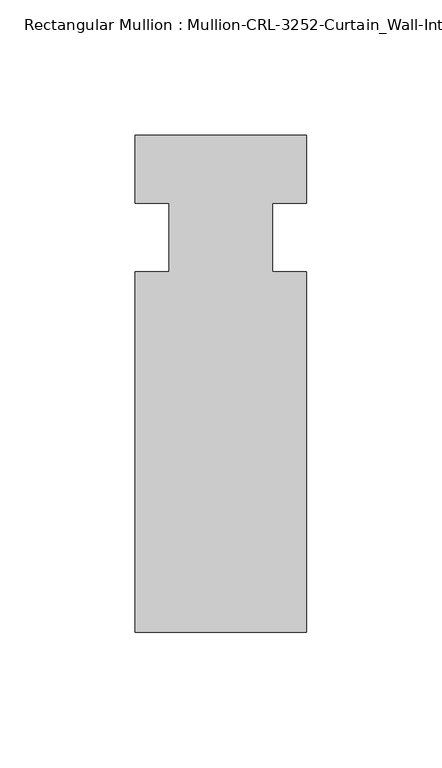
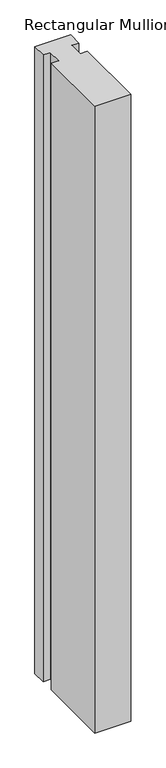
"""IFC4 building model written with IfcOpenShell, lengths in millimetres: member geometry, Rectangular Mullion : Mullion-CRL-3252-Curtain_Wall-Intermediate_Horizontal."""

import ifcopenshell
import ifcopenshell.guid

model = None  # the IFC model being written
_history = None  # IfcOwnerHistory: only IFC2X3 demands one
_inside = {}  # id of a spatial element -> (the spatial element, [elements in it])
_under = {}  # id of a project, library or spatial element -> (it, [spatial elements below it])
_declared = {}  # id of a project -> (the project, [libraries it declares])
_typed = {}  # id of a type object -> (the type object, [elements of that type])
_made_of = {}  # id of a material, layer set ... -> (it, [elements and type objects made of it])


def new_model(schema):
    """Start an empty IFC model of exactly this schema.

    Asked for "IFC4X3", IfcOpenShell would pick the latest addendum, in which some entities
    have other attributes; the version numbers below select the first issue.
    IFC2X3 requires an IfcOwnerHistory on every rooted entity: one is made here for all.
    """
    global model, _history
    if schema == "IFC4X3":
        model = ifcopenshell.file(schema_version=(4, 3, 0, 0))
    else:
        model = ifcopenshell.file(schema=schema)
    _inside.clear()
    _under.clear()
    _declared.clear()
    _typed.clear()
    _made_of.clear()
    _history = None
    if model.schema == "IFC2X3":
        org = make("IfcOrganization", Name="unknown")
        user = make(
            "IfcPersonAndOrganization",
            ThePerson=make("IfcPerson", FamilyName="unknown"),
            TheOrganization=org,
        )
        app = make(
            "IfcApplication",
            ApplicationDeveloper=org,
            Version="unknown",
            ApplicationFullName="unknown",
            ApplicationIdentifier="unknown",
        )
        _history = make(
            "IfcOwnerHistory",
            OwningUser=user,
            OwningApplication=app,
            ChangeAction="ADDED",
            CreationDate=0,
        )
    return model


def make(cls, **values):
    """One entity of the class cls with the attributes given. An attribute that is None is left unset."""
    return model.create_entity(
        cls, **{name: value for name, value in values.items() if value is not None}
    )


def rooted(cls, **values):
    """An entity with a GlobalId (a new one), such as an element, a storey or a relation."""
    return make(cls, GlobalId=ifcopenshell.guid.new(), OwnerHistory=_history, **values)


def si_unit(unit_type, name, prefix=None):
    """IfcSIUnit, for example si_unit("LENGTHUNIT", "METRE", prefix="MILLI")."""
    return make("IfcSIUnit", UnitType=unit_type, Prefix=prefix, Name=name)


def assignment(units):
    """IfcUnitAssignment: the units of a project."""
    return None if units is None else make("IfcUnitAssignment", Units=units)


def point(xyz):
    """IfcCartesianPoint."""
    return None if xyz is None else make("IfcCartesianPoint", Coordinates=xyz)


def direction(xyz):
    """IfcDirection."""
    return None if xyz is None else make("IfcDirection", DirectionRatios=xyz)


def frame(location, z_axis=None, x_axis=None):
    """IfcAxis2Placement3D, a coordinate frame: its origin and axes. An axis left out is left unset."""
    return make(
        "IfcAxis2Placement3D",
        Location=point(location),
        Axis=direction(z_axis),
        RefDirection=direction(x_axis),
    )


def origin():
    """The frame at (0, 0, 0) with its axes left unset."""
    return frame((0.0, 0.0, 0.0))


def place(relative_to, where):
    """IfcLocalPlacement: puts the frame where relative to a parent placement (None: the world)."""
    return make(
        "IfcLocalPlacement", PlacementRelTo=relative_to, RelativePlacement=where
    )


def context(
    kind, dimensions, precision=None, world=None, true_north=None, identifier=None
):
    """IfcGeometricRepresentationContext, for example the 3D "Model" context."""
    return make(
        "IfcGeometricRepresentationContext",
        ContextIdentifier=identifier,
        ContextType=kind,
        CoordinateSpaceDimension=dimensions,
        Precision=precision,
        WorldCoordinateSystem=world,
        TrueNorth=true_north,
    )


def project(units=None, contexts=None):
    """IfcProject with its units and contexts."""
    return rooted(
        "IfcProject",
        Name="project",
        RepresentationContexts=contexts,
        UnitsInContext=assignment(units),
    )


def spatial(cls, under=None, at=None, **own):
    """A site, building, storey or space (cls), placed at a placement, below another one or the project."""
    s = rooted(cls, ObjectPlacement=at, **own)
    if under is not None:
        _under.setdefault(under.id(), (under, []))[1].append(s)
    return s


def polyline(points):
    """IfcPolyline through the points."""
    return make("IfcPolyline", Points=[point(p) for p in points])


def outline(outer, holes=None, kind="AREA"):
    """IfcArbitraryClosedProfileDef: a profile drawn as a closed curve; with holes, ...WithVoids."""
    if holes is None:
        return make("IfcArbitraryClosedProfileDef", ProfileType=kind, OuterCurve=outer)
    return make(
        "IfcArbitraryProfileDefWithVoids",
        ProfileType=kind,
        OuterCurve=outer,
        InnerCurves=holes,
    )


def extrude(swept, where, along, depth):
    """IfcExtrudedAreaSolid: the profile swept, set in the frame where, extruded along a direction by depth."""
    return make(
        "IfcExtrudedAreaSolid",
        SweptArea=swept,
        Position=where,
        ExtrudedDirection=direction(along),
        Depth=depth,
    )


def shape(context_of_items, identifier, shape_type, items):
    """IfcShapeRepresentation: the items that make up one representation, for example the "Body"."""
    return make(
        "IfcShapeRepresentation",
        ContextOfItems=context_of_items,
        RepresentationIdentifier=identifier,
        RepresentationType=shape_type,
        Items=items,
    )


def source(mapping_origin, context_of_items, identifier, shape_type, items):
    """IfcRepresentationMap: a shape defined once, which mapped items show again and again."""
    return make(
        "IfcRepresentationMap",
        MappingOrigin=mapping_origin,
        MappedRepresentation=shape(context_of_items, identifier, shape_type, items),
    )


def transform(
    local_origin,
    x_axis=None,
    y_axis=None,
    z_axis=None,
    scale=None,
    scale2=None,
    scale3=None,
    uniform=True,
):
    """IfcCartesianTransformationOperator3D, or its non-uniform kind. x_axis, y_axis, z_axis: its Axis1, 2, 3."""
    if uniform:
        return make(
            "IfcCartesianTransformationOperator3D",
            Axis1=direction(x_axis),
            Axis2=direction(y_axis),
            LocalOrigin=point(local_origin),
            Scale=scale,
            Axis3=direction(z_axis),
        )
    return make(
        "IfcCartesianTransformationOperator3DnonUniform",
        Axis1=direction(x_axis),
        Axis2=direction(y_axis),
        LocalOrigin=point(local_origin),
        Scale=scale,
        Axis3=direction(z_axis),
        Scale2=scale2,
        Scale3=scale3,
    )


def mapped(mapping_source, mapping_target):
    """IfcMappedItem: shows the shape of a source again, moved by a transform."""
    return make(
        "IfcMappedItem", MappingSource=mapping_source, MappingTarget=mapping_target
    )


def made_of(thing, what):
    """Note that an element or type object is made of a material, layer set ...; save() writes the relation."""
    if what is not None:
        _made_of.setdefault(what.id(), (what, []))[1].append(thing)
    return thing


def element(
    cls,
    number,
    at=None,
    inside=None,
    cuts=None,
    type_object=None,
    material=None,
    context=None,
    identifier="Body",
    shape_type=None,
    held_by="IfcProductDefinitionShape",
    body=None,
    shapes=None,
    **own,
):
    """One element of the class cls, such as IfcWall. Its Tag is "e" and its number.

    at: its placement. inside: the storey or other place that contains it. cuts: it is an
    opening in that element (IfcRelVoidsElement). A single representation is given by context,
    identifier, shape_type and body (its items); several are given by shapes. held_by: the class
    of the entity that holds the representations. save() writes the other relations.
    """
    e = rooted(cls, Tag="e%d" % number, ObjectPlacement=at, **own)
    if body is not None:
        shapes = [shape(context, identifier, shape_type, body)]
    if shapes is not None:
        e.Representation = make(held_by, Representations=shapes)
    if inside is not None:
        _inside.setdefault(inside.id(), (inside, []))[1].append(e)
    if cuts is not None:
        rooted(
            "IfcRelVoidsElement", RelatingBuildingElement=cuts, RelatedOpeningElement=e
        )
    if type_object is not None:
        _typed.setdefault(type_object.id(), (type_object, []))[1].append(e)
    return made_of(e, material)


def aggregate(whole, parts):
    """IfcRelAggregates: a whole, such as a stair, and the parts it consists of."""
    return rooted("IfcRelAggregates", RelatingObject=whole, RelatedObjects=parts)


def save(model, path):
    """Write the relations noted so far, then the file.

    IfcRelAggregates (storeys below a building ...), IfcRelContainedInSpatialStructure (elements
    in a storey), IfcRelDefinesByType, IfcRelAssociatesMaterial and IfcRelDeclares: one each for
    every whole, place, type object, material and project.
    """
    for whole, parts in _under.values():
        aggregate(whole, parts)
    for where, things in _inside.values():
        rooted(
            "IfcRelContainedInSpatialStructure",
            RelatedElements=things,
            RelatingStructure=where,
        )
    for kind, things in _typed.values():
        rooted("IfcRelDefinesByType", RelatedObjects=things, RelatingType=kind)
    for what, things in _made_of.values():
        rooted("IfcRelAssociatesMaterial", RelatedObjects=things, RelatingMaterial=what)
    for by, libraries in _declared.values():
        rooted("IfcRelDeclares", RelatingContext=by, RelatedDefinitions=libraries)
    model.write(path)


def rectangular_mullion_mullion_crl_3252_curtain_wall_6b79c6c5(model_context):
    return source(origin(), model_context, "Body", "SweptSolid", [
        extrude(outline(polyline([(31.7997793, -146.0054758), (-31.7000602, -146.0054758), (-31.7000602, -12.7), (-19.008026, -12.7), (-19.008026, 12.7), (-31.7000602, 12.7), (-31.7000602, 37.8598496), (31.7997793, 37.8598496), (31.7997793, 12.7), (19.0940404, 12.7), (19.0940404, -12.7), (31.7997793, -12.7), (31.7997793, -146.0054758)])), frame((0.0, 0.0, -1174.735319), z_axis=(0.0, 0.0, 1.0), x_axis=(1.0, 0.0, 0.0)), (0.0, 0.0, 1.0), 1174.735319),
    ])


if __name__ == "__main__":
    model = new_model("IFC4")
    model_context = context("Model", 3, world=origin())
    ifc_project = project(units=[si_unit("LENGTHUNIT", "METRE", prefix="MILLI")], contexts=[model_context])
    site = spatial("IfcSite", under=ifc_project)
    building = spatial("IfcBuilding", under=site)
    placement = place(None, origin())
    rectangular_mullion_mullion_crl_3252_curtain_wall_shape = rectangular_mullion_mullion_crl_3252_curtain_wall_6b79c6c5(model_context)
    element("IfcMember", 1, ObjectType="Rectangular Mullion : Mullion-CRL-3252-Curtain_Wall-Intermediate_Horizontal", at=placement, inside=building, context=model_context, shape_type="MappedRepresentation", body=[
        mapped(rectangular_mullion_mullion_crl_3252_curtain_wall_shape, transform((0.0, 0.0, 0.0), x_axis=(1.0, 0.0, 0.0), y_axis=(0.0, 1.0, 0.0), z_axis=(0.0, 0.0, 1.0))),
    ])
    save(model, "model.ifc")
